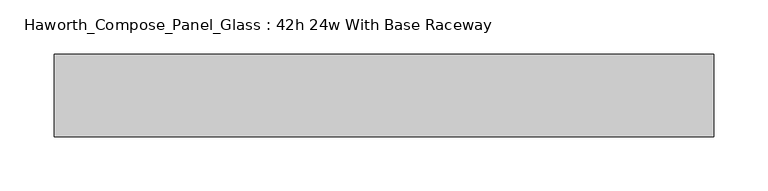
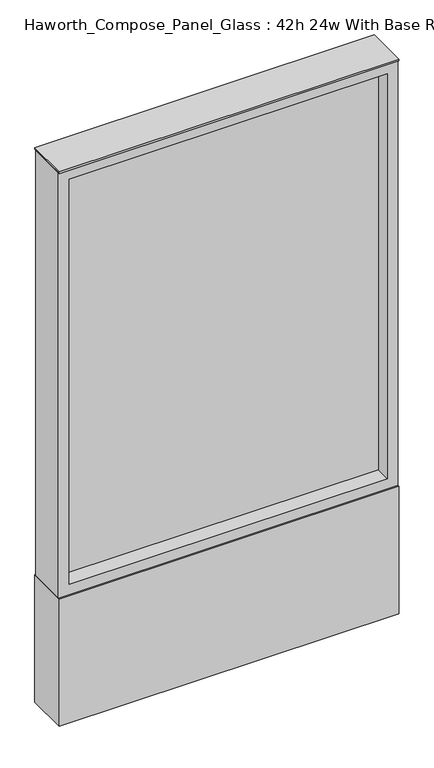
"""IFC4 building model written with IfcOpenShell, lengths in millimetres: furniture geometry, Haworth_Compose_Panel_Glass : 42h 24w With Base Raceway."""

from ifc_helpers import new_model, si_unit, point, frame, frame_2d, origin, origin_with_axes, place, context, project, spatial, polyline, circle_curve, trimmed, segment, composite_curve, outline, extrude, source, transform, mapped, element, save


def haworth_compose_panel_glass_42h_24w_with_base_raceway_33fdcc06(model_context):
    return source(origin(), model_context, "Body", "SweptSolid", [
        extrude(outline(composite_curve([segment(trimmed(circle_curve(frame_2d((231.0402902, 0.0)), 12.7), [point((218.3402902, 0.0))], [point((243.7402902, 0.0))], False, "CARTESIAN"), True, "CONTINUOUS"), segment(trimmed(circle_curve(frame_2d((231.0402902, 0.0)), 12.7), [point((243.7402902, 0.0))], [point((218.3402902, 0.0))], False, "CARTESIAN"), True, "CONTINUOUS")], self_intersect=False)), origin_with_axes(), (0.0, 0.0, 1.0), 12.7),
        extrude(outline(composite_curve([segment(trimmed(circle_curve(frame_2d((-226.1597098, 0.0)), 12.7), [point((-238.8597098, 0.0))], [point((-213.4597098, 0.0))], False, "CARTESIAN"), True, "CONTINUOUS"), segment(trimmed(circle_curve(frame_2d((-226.1597098, 0.0)), 12.7), [point((-213.4597098, 0.0))], [point((-238.8597098, 0.0))], False, "CARTESIAN"), True, "CONTINUOUS")], self_intersect=False)), origin_with_axes(), (0.0, 0.0, 1.0), 12.7),
        extrude(outline(polyline([(288.1902902, -6.35), (-283.3097098, -6.35), (-283.3097098, 6.35), (288.1902902, 6.35), (288.1902902, -6.35)])), frame((0.0, 0.0, 273.05), z_axis=(0.0, 0.0, 1.0), x_axis=(1.0, 0.0, 0.0)), (0.0, 0.0, 1.0), 768.35),
        extrude(outline(polyline([(1060.45, -302.3597098), (254.0, -302.3597098), (254.0, 307.2402902), (1060.45, 307.2402902), (1060.45, -302.3597098)]), holes=[polyline([(1041.4, 288.1902902), (273.05, 288.1902902), (273.05, -283.3097098), (1041.4, -283.3097098), (1041.4, 288.1902902)])]), frame((0.0, -34.925, 0.0), z_axis=(0.0, 1.0, 0.0), x_axis=(0.0, 0.0, 1.0)), (0.0, 0.0, 1.0), 69.85),
        extrude(outline(polyline([(-302.3597098, 38.1), (307.2402902, 38.1), (307.2402902, -38.1), (-302.3597098, -38.1), (-302.3597098, 38.1)])), frame((0.0, 0.0, 12.7), z_axis=(0.0, 0.0, 1.0), x_axis=(1.0, 0.0, 0.0)), (0.0, 0.0, 1.0), 241.3),
        extrude(outline(polyline([(-302.3597098, -38.1), (-302.3597098, 38.1), (307.2402902, 38.1), (307.2402902, -38.1), (-302.3597098, -38.1)])), frame((0.0, 0.0, 1060.45), z_axis=(0.0, 0.0, 1.0), x_axis=(1.0, 0.0, 0.0)), (0.0, 0.0, 1.0), 3.175),
    ])


if __name__ == "__main__":
    model = new_model("IFC4")
    model_context = context("Model", 3, world=origin())
    ifc_project = project(units=[si_unit("LENGTHUNIT", "METRE", prefix="MILLI")], contexts=[model_context])
    site = spatial("IfcSite", under=ifc_project)
    building = spatial("IfcBuilding", under=site)
    placement = place(None, origin())
    haworth_compose_panel_glass_42h_24w_with_base_raceway_shape = haworth_compose_panel_glass_42h_24w_with_base_raceway_33fdcc06(model_context)
    element("IfcFurniture", 1, ObjectType="Haworth_Compose_Panel_Glass : 42h 24w With Base Raceway", at=placement, inside=building, context=model_context, shape_type="MappedRepresentation", body=[
        mapped(haworth_compose_panel_glass_42h_24w_with_base_raceway_shape, transform((0.0, 0.0, 0.0), x_axis=(1.0, 0.0, 0.0), y_axis=(0.0, 1.0, 0.0), z_axis=(0.0, 0.0, 1.0))),
    ])
    save(model, "model.ifc")
